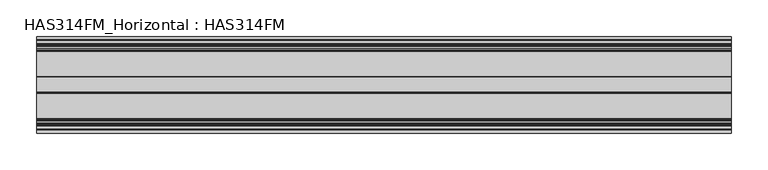
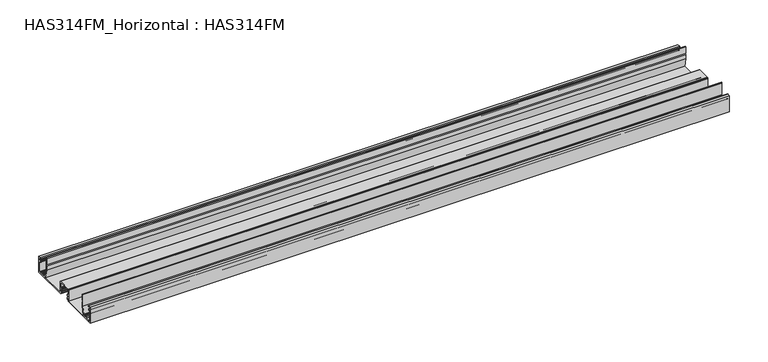
"""IFC4 building model written with IfcOpenShell, lengths in millimetres: beam geometry, HAS314FM_Horizontal : HAS314FM."""

from ifc_helpers import new_model, si_unit, point, frame, frame_2d, origin, place, context, project, spatial, polyline, circle_curve, trimmed, segment, composite_curve, outline, extrude, source, transform, mapped, element, save


def has314fm_horizontal_has314fm_b488437b(model_context):
    return source(origin(), model_context, "Body", "SweptSolid", [
        extrude(outline(composite_curve([segment(polyline([(9.9742765, 9.1254019), (8.488746, 9.1254019), (8.488746, 8.3254019)]), True, "CONTINUOUS"), segment(trimmed(circle_curve(frame_2d((8.0643087, 8.3254019)), 0.4244373), [point((8.488746, 8.3254019))], [point((7.6398714, 8.3254019))], False, "CARTESIAN"), True, "CONTINUOUS"), segment(polyline([(7.6398714, 8.3254019), (7.6398714, 9.8576792)]), True, "CONTINUOUS"), segment(trimmed(circle_curve(frame_2d((8.180906, 9.8576792)), 0.5410346), [point((7.6398714, 9.8576792))], [point((8.180906, 10.3987138))], False, "CARTESIAN"), True, "CONTINUOUS"), segment(polyline([(8.180906, 10.3987138), (9.7620579, 10.3987138), (9.7620579, 18.0385852), (-9.7620579, 18.0385852), (-9.7620579, 10.3987138), (-8.0276527, 10.3987138)]), True, "CONTINUOUS"), segment(trimmed(circle_curve(frame_2d((-8.0276527, 9.7987138)), 0.6), [point((-8.0276527, 10.3987138))], [point((-7.4276527, 9.7987138))], False, "CARTESIAN"), True, "CONTINUOUS"), segment(polyline([(-7.4276527, 9.7987138), (-7.4276527, 8.3254019)]), True, "CONTINUOUS"), segment(trimmed(circle_curve(frame_2d((-7.9581994, 8.3254019)), 0.5305466), [point((-7.4276527, 8.3254019))], [point((-8.488746, 8.3254019))], False, "CARTESIAN"), True, "CONTINUOUS"), segment(polyline([(-8.488746, 8.3254019), (-8.488746, 9.1254019), (-9.9742765, 9.1254019), (-9.9742765, 3.8199357), (-8.488746, 3.8199357), (-8.488746, 4.6199357)]), True, "CONTINUOUS"), segment(trimmed(circle_curve(frame_2d((-7.9581994, 4.6199357)), 0.5305466), [point((-8.488746, 4.6199357))], [point((-7.4276527, 4.6199357))], False, "CARTESIAN"), True, "CONTINUOUS"), segment(polyline([(-7.4276527, 4.6199357), (-7.4276527, 3.1289278)]), True, "CONTINUOUS"), segment(trimmed(circle_curve(frame_2d((-8.2221754, 3.1289278)), 0.7945227), [point((-7.4276527, 3.1289278))], [point((-8.2221754, 2.3344051))], False, "CARTESIAN"), True, "CONTINUOUS"), segment(polyline([(-8.2221754, 2.3344051), (-9.7620579, 2.3344051), (-9.7620579, 0.0), (-66.0, 0.0), (-66.0, 25.0418006), (-61.755627, 25.0418006), (-60.9067524, 24.4051447), (-61.755627, 23.7684887), (-64.7266881, 23.7684887), (-64.7266881, 20.3729904), (-62.7447485, 20.3729904)]), True, "CONTINUOUS"), segment(trimmed(circle_curve(frame_2d((-62.7447485, 19.8083061)), 0.5646842), [point((-62.7447485, 20.3729904))], [point((-62.1800643, 19.8083061))], False, "CARTESIAN"), True, "CONTINUOUS"), segment(polyline([(-62.1800643, 19.8083061), (-62.1800643, 18.4630225)]), True, "CONTINUOUS"), segment(trimmed(circle_curve(frame_2d((-62.6045016, 18.4630225)), 0.4244373), [point((-62.1800643, 18.4630225))], [point((-63.0289389, 18.4630225))], False, "CARTESIAN"), True, "CONTINUOUS"), segment(polyline([(-63.0289389, 18.4630225), (-63.0289389, 19.5241158), (-64.7266881, 19.5241158), (-64.7266881, 1.4855305), (-63.0289389, 1.4855305), (-63.0289389, 2.3344051), (-62.1800643, 2.3344051), (-62.1800643, 1.4855305), (-56.0257235, 1.4855305), (-56.0257235, 4.0321543), (-55.3890675, 5.3054662), (-54.5401929, 5.5176849)]), True, "CONTINUOUS"), segment(trimmed(circle_curve(frame_2d((-54.4003215, 4.9581994)), 0.5767045), [point((-54.5401929, 5.5176849))], [point((-54.1157556, 4.4565916))], False, "CARTESIAN"), True, "CONTINUOUS"), segment(polyline([(-54.1157556, 4.4565916), (-54.5401929, 2.7588424), (-52.9485531, 1.4324759), (-51.3569132, 2.7588424), (-51.7813505, 4.4565916), (-49.7918006, 4.4565916), (-47.5369775, 15.2797428), (-47.5369775, 33.5305466), (-46.9003215, 34.1672026), (-46.0514469, 33.5305466), (-46.0514469, 23.5562701), (-46.9003215, 23.5562701), (-46.0514469, 21.6463023), (-46.0514469, 15.0675241), (-48.8992843, 1.4855305), (-11.2475884, 1.4855305), (-11.2475884, 18.4630225), (-10.8231511, 19.3118971), (-9.9742765, 19.5241158), (10.1864952, 19.5241158), (11.0353698, 19.3118971), (11.2475884, 18.4630225), (11.2475884, 1.4855305), (48.8992843, 1.4855305), (46.0514469, 15.0675241), (46.0514469, 21.6463023), (46.9003215, 23.5562701), (46.0514469, 23.5562701), (46.0514469, 33.5305466), (46.9003215, 34.1672026), (47.5369775, 33.5305466), (47.5369775, 15.2797428), (49.7918006, 4.4565916), (51.7813505, 4.4565916), (51.3569132, 2.7588424), (52.9485531, 1.4324759), (54.5401929, 2.7588424), (54.1157556, 4.4565916)]), True, "CONTINUOUS"), segment(trimmed(circle_curve(frame_2d((54.4003215, 4.9581994)), 0.5767045), [point((54.1157556, 4.4565916))], [point((54.5401929, 5.5176849))], False, "CARTESIAN"), True, "CONTINUOUS"), segment(polyline([(54.5401929, 5.5176849), (55.3890675, 5.3054662), (56.0257235, 4.0321543), (56.0257235, 1.4855305), (62.1800643, 1.4855305), (62.1800643, 2.3344051), (63.0289389, 2.3344051), (63.0289389, 1.4855305), (64.7266881, 1.4855305), (64.7266881, 19.5241158), (63.0289389, 19.5241158), (63.0289389, 18.4630225)]), True, "CONTINUOUS"), segment(trimmed(circle_curve(frame_2d((62.6045016, 18.4630225)), 0.4244373), [point((63.0289389, 18.4630225))], [point((62.1800643, 18.4630225))], False, "CARTESIAN"), True, "CONTINUOUS"), segment(polyline([(62.1800643, 18.4630225), (62.1800643, 19.8083061)]), True, "CONTINUOUS"), segment(trimmed(circle_curve(frame_2d((62.7447485, 19.8083061)), 0.5646842), [point((62.1800643, 19.8083061))], [point((62.7447485, 20.3729904))], False, "CARTESIAN"), True, "CONTINUOUS"), segment(polyline([(62.7447485, 20.3729904), (64.7266881, 20.3729904), (64.7266881, 23.7684887), (61.755627, 23.7684887), (60.9067524, 24.4051447), (61.755627, 25.0418006), (66.0, 25.0418006), (66.0, 0.0), (9.7620579, 0.0), (9.7620579, 2.3344051), (8.2745239, 2.3344051)]), True, "CONTINUOUS"), segment(trimmed(circle_curve(frame_2d((8.2745239, 2.9690576)), 0.6346525), [point((8.2745239, 2.3344051))], [point((7.6398714, 2.9690576))], False, "CARTESIAN"), True, "CONTINUOUS"), segment(polyline([(7.6398714, 2.9690576), (7.6398714, 4.6199357)]), True, "CONTINUOUS"), segment(trimmed(circle_curve(frame_2d((8.0643087, 4.6199357)), 0.4244373), [point((7.6398714, 4.6199357))], [point((8.488746, 4.6199357))], False, "CARTESIAN"), True, "CONTINUOUS"), segment(polyline([(8.488746, 4.6199357), (8.488746, 3.8199357), (9.9742765, 3.8199357), (9.9742765, 9.1254019)]), True, "CONTINUOUS")], self_intersect=False)), frame((-474.9581994, 0.0, 0.0), z_axis=(1.0, 0.0, 0.0), x_axis=(0.0, 1.0, 0.0)), (0.0, 0.0, 1.0), 949.9163987),
    ])


if __name__ == "__main__":
    model = new_model("IFC4")
    model_context = context("Model", 3, world=origin())
    ifc_project = project(units=[si_unit("LENGTHUNIT", "METRE", prefix="MILLI")], contexts=[model_context])
    site = spatial("IfcSite", under=ifc_project)
    building = spatial("IfcBuilding", under=site)
    placement = place(None, origin())
    has314fm_horizontal_has314fm_shape = has314fm_horizontal_has314fm_b488437b(model_context)
    element("IfcBeam", 1, ObjectType="HAS314FM_Horizontal : HAS314FM", at=placement, inside=building, context=model_context, shape_type="MappedRepresentation", body=[
        mapped(has314fm_horizontal_has314fm_shape, transform((0.0, 0.0, 0.0), x_axis=(1.0, 0.0, 0.0), y_axis=(0.0, 1.0, 0.0), z_axis=(0.0, 0.0, 1.0))),
    ])
    save(model, "model.ifc")
